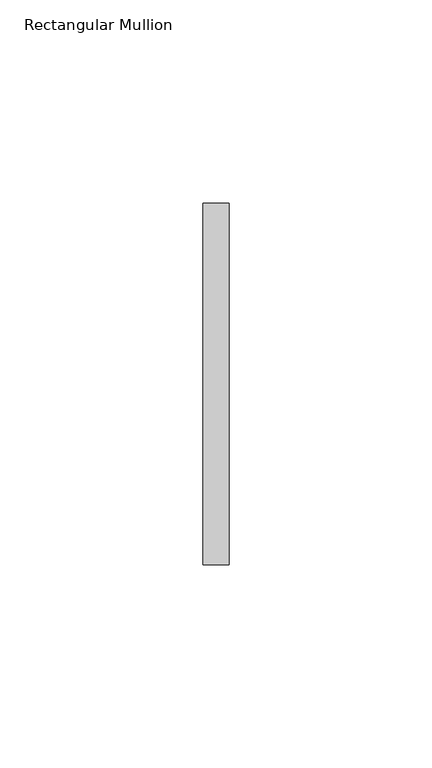
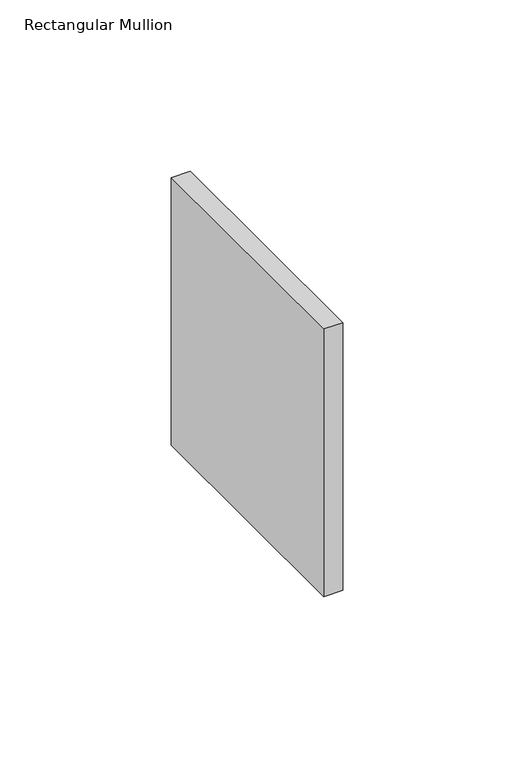
"""IFC4 building model written with IfcOpenShell, lengths in millimetres: member geometry, Rectangular Mullion."""

import ifcopenshell
import ifcopenshell.guid

model = None  # the IFC model being written
_history = None  # IfcOwnerHistory: only IFC2X3 demands one
_inside = {}  # id of a spatial element -> (the spatial element, [elements in it])
_under = {}  # id of a project, library or spatial element -> (it, [spatial elements below it])
_declared = {}  # id of a project -> (the project, [libraries it declares])
_typed = {}  # id of a type object -> (the type object, [elements of that type])
_made_of = {}  # id of a material, layer set ... -> (it, [elements and type objects made of it])


def new_model(schema):
    """Start an empty IFC model of exactly this schema.

    Asked for "IFC4X3", IfcOpenShell would pick the latest addendum, in which some entities
    have other attributes; the version numbers below select the first issue.
    IFC2X3 requires an IfcOwnerHistory on every rooted entity: one is made here for all.
    """
    global model, _history
    if schema == "IFC4X3":
        model = ifcopenshell.file(schema_version=(4, 3, 0, 0))
    else:
        model = ifcopenshell.file(schema=schema)
    _inside.clear()
    _under.clear()
    _declared.clear()
    _typed.clear()
    _made_of.clear()
    _history = None
    if model.schema == "IFC2X3":
        org = make("IfcOrganization", Name="unknown")
        user = make(
            "IfcPersonAndOrganization",
            ThePerson=make("IfcPerson", FamilyName="unknown"),
            TheOrganization=org,
        )
        app = make(
            "IfcApplication",
            ApplicationDeveloper=org,
            Version="unknown",
            ApplicationFullName="unknown",
            ApplicationIdentifier="unknown",
        )
        _history = make(
            "IfcOwnerHistory",
            OwningUser=user,
            OwningApplication=app,
            ChangeAction="ADDED",
            CreationDate=0,
        )
    return model


def make(cls, **values):
    """One entity of the class cls with the attributes given. An attribute that is None is left unset."""
    return model.create_entity(
        cls, **{name: value for name, value in values.items() if value is not None}
    )


def rooted(cls, **values):
    """An entity with a GlobalId (a new one), such as an element, a storey or a relation."""
    return make(cls, GlobalId=ifcopenshell.guid.new(), OwnerHistory=_history, **values)


def si_unit(unit_type, name, prefix=None):
    """IfcSIUnit, for example si_unit("LENGTHUNIT", "METRE", prefix="MILLI")."""
    return make("IfcSIUnit", UnitType=unit_type, Prefix=prefix, Name=name)


def assignment(units):
    """IfcUnitAssignment: the units of a project."""
    return None if units is None else make("IfcUnitAssignment", Units=units)


def point(xyz):
    """IfcCartesianPoint."""
    return None if xyz is None else make("IfcCartesianPoint", Coordinates=xyz)


def direction(xyz):
    """IfcDirection."""
    return None if xyz is None else make("IfcDirection", DirectionRatios=xyz)


def frame(location, z_axis=None, x_axis=None):
    """IfcAxis2Placement3D, a coordinate frame: its origin and axes. An axis left out is left unset."""
    return make(
        "IfcAxis2Placement3D",
        Location=point(location),
        Axis=direction(z_axis),
        RefDirection=direction(x_axis),
    )


def origin():
    """The frame at (0, 0, 0) with its axes left unset."""
    return frame((0.0, 0.0, 0.0))


def place(relative_to, where):
    """IfcLocalPlacement: puts the frame where relative to a parent placement (None: the world)."""
    return make(
        "IfcLocalPlacement", PlacementRelTo=relative_to, RelativePlacement=where
    )


def context(
    kind, dimensions, precision=None, world=None, true_north=None, identifier=None
):
    """IfcGeometricRepresentationContext, for example the 3D "Model" context."""
    return make(
        "IfcGeometricRepresentationContext",
        ContextIdentifier=identifier,
        ContextType=kind,
        CoordinateSpaceDimension=dimensions,
        Precision=precision,
        WorldCoordinateSystem=world,
        TrueNorth=true_north,
    )


def project(units=None, contexts=None):
    """IfcProject with its units and contexts."""
    return rooted(
        "IfcProject",
        Name="project",
        RepresentationContexts=contexts,
        UnitsInContext=assignment(units),
    )


def spatial(cls, under=None, at=None, **own):
    """A site, building, storey or space (cls), placed at a placement, below another one or the project."""
    s = rooted(cls, ObjectPlacement=at, **own)
    if under is not None:
        _under.setdefault(under.id(), (under, []))[1].append(s)
    return s


def polyline(points):
    """IfcPolyline through the points."""
    return make("IfcPolyline", Points=[point(p) for p in points])


def outline(outer, holes=None, kind="AREA"):
    """IfcArbitraryClosedProfileDef: a profile drawn as a closed curve; with holes, ...WithVoids."""
    if holes is None:
        return make("IfcArbitraryClosedProfileDef", ProfileType=kind, OuterCurve=outer)
    return make(
        "IfcArbitraryProfileDefWithVoids",
        ProfileType=kind,
        OuterCurve=outer,
        InnerCurves=holes,
    )


def extrude(swept, where, along, depth):
    """IfcExtrudedAreaSolid: the profile swept, set in the frame where, extruded along a direction by depth."""
    return make(
        "IfcExtrudedAreaSolid",
        SweptArea=swept,
        Position=where,
        ExtrudedDirection=direction(along),
        Depth=depth,
    )


def shape(context_of_items, identifier, shape_type, items):
    """IfcShapeRepresentation: the items that make up one representation, for example the "Body"."""
    return make(
        "IfcShapeRepresentation",
        ContextOfItems=context_of_items,
        RepresentationIdentifier=identifier,
        RepresentationType=shape_type,
        Items=items,
    )


def source(mapping_origin, context_of_items, identifier, shape_type, items):
    """IfcRepresentationMap: a shape defined once, which mapped items show again and again."""
    return make(
        "IfcRepresentationMap",
        MappingOrigin=mapping_origin,
        MappedRepresentation=shape(context_of_items, identifier, shape_type, items),
    )


def transform(
    local_origin,
    x_axis=None,
    y_axis=None,
    z_axis=None,
    scale=None,
    scale2=None,
    scale3=None,
    uniform=True,
):
    """IfcCartesianTransformationOperator3D, or its non-uniform kind. x_axis, y_axis, z_axis: its Axis1, 2, 3."""
    if uniform:
        return make(
            "IfcCartesianTransformationOperator3D",
            Axis1=direction(x_axis),
            Axis2=direction(y_axis),
            LocalOrigin=point(local_origin),
            Scale=scale,
            Axis3=direction(z_axis),
        )
    return make(
        "IfcCartesianTransformationOperator3DnonUniform",
        Axis1=direction(x_axis),
        Axis2=direction(y_axis),
        LocalOrigin=point(local_origin),
        Scale=scale,
        Axis3=direction(z_axis),
        Scale2=scale2,
        Scale3=scale3,
    )


def mapped(mapping_source, mapping_target):
    """IfcMappedItem: shows the shape of a source again, moved by a transform."""
    return make(
        "IfcMappedItem", MappingSource=mapping_source, MappingTarget=mapping_target
    )


def made_of(thing, what):
    """Note that an element or type object is made of a material, layer set ...; save() writes the relation."""
    if what is not None:
        _made_of.setdefault(what.id(), (what, []))[1].append(thing)
    return thing


def element(
    cls,
    number,
    at=None,
    inside=None,
    cuts=None,
    type_object=None,
    material=None,
    context=None,
    identifier="Body",
    shape_type=None,
    held_by="IfcProductDefinitionShape",
    body=None,
    shapes=None,
    **own,
):
    """One element of the class cls, such as IfcWall. Its Tag is "e" and its number.

    at: its placement. inside: the storey or other place that contains it. cuts: it is an
    opening in that element (IfcRelVoidsElement). A single representation is given by context,
    identifier, shape_type and body (its items); several are given by shapes. held_by: the class
    of the entity that holds the representations. save() writes the other relations.
    """
    e = rooted(cls, Tag="e%d" % number, ObjectPlacement=at, **own)
    if body is not None:
        shapes = [shape(context, identifier, shape_type, body)]
    if shapes is not None:
        e.Representation = make(held_by, Representations=shapes)
    if inside is not None:
        _inside.setdefault(inside.id(), (inside, []))[1].append(e)
    if cuts is not None:
        rooted(
            "IfcRelVoidsElement", RelatingBuildingElement=cuts, RelatedOpeningElement=e
        )
    if type_object is not None:
        _typed.setdefault(type_object.id(), (type_object, []))[1].append(e)
    return made_of(e, material)


def aggregate(whole, parts):
    """IfcRelAggregates: a whole, such as a stair, and the parts it consists of."""
    return rooted("IfcRelAggregates", RelatingObject=whole, RelatedObjects=parts)


def save(model, path):
    """Write the relations noted so far, then the file.

    IfcRelAggregates (storeys below a building ...), IfcRelContainedInSpatialStructure (elements
    in a storey), IfcRelDefinesByType, IfcRelAssociatesMaterial and IfcRelDeclares: one each for
    every whole, place, type object, material and project.
    """
    for whole, parts in _under.values():
        aggregate(whole, parts)
    for where, things in _inside.values():
        rooted(
            "IfcRelContainedInSpatialStructure",
            RelatedElements=things,
            RelatingStructure=where,
        )
    for kind, things in _typed.values():
        rooted("IfcRelDefinesByType", RelatedObjects=things, RelatingType=kind)
    for what, things in _made_of.values():
        rooted("IfcRelAssociatesMaterial", RelatedObjects=things, RelatingMaterial=what)
    for by, libraries in _declared.values():
        rooted("IfcRelDeclares", RelatingContext=by, RelatedDefinitions=libraries)
    model.write(path)


def rectangular_mullion_4e7f926a(model_context):
    return source(origin(), model_context, "Body", "SweptSolid", [
        extrude(outline(polyline([(0.0, 44.45), (0.0, -44.45), (-6.35, -44.45), (-6.35, 44.45), (0.0, 44.45)])), frame((0.0, 0.0, -95.3165918), z_axis=(0.0, 0.0, 1.0), x_axis=(1.0, 0.0, 0.0)), (0.0, 0.0, 1.0), 95.3165918),
    ])


if __name__ == "__main__":
    model = new_model("IFC4")
    model_context = context("Model", 3, world=origin())
    ifc_project = project(units=[si_unit("LENGTHUNIT", "METRE", prefix="MILLI")], contexts=[model_context])
    site = spatial("IfcSite", under=ifc_project)
    building = spatial("IfcBuilding", under=site)
    placement = place(None, origin())
    rectangular_mullion_shape = rectangular_mullion_4e7f926a(model_context)
    element("IfcMember", 1, ObjectType="Rectangular Mullion", at=placement, inside=building, context=model_context, shape_type="MappedRepresentation", body=[
        mapped(rectangular_mullion_shape, transform((0.0, 0.0, 0.0), x_axis=(1.0, 0.0, 0.0), y_axis=(0.0, 1.0, 0.0), z_axis=(0.0, 0.0, 1.0))),
    ])
    save(model, "model.ifc")
